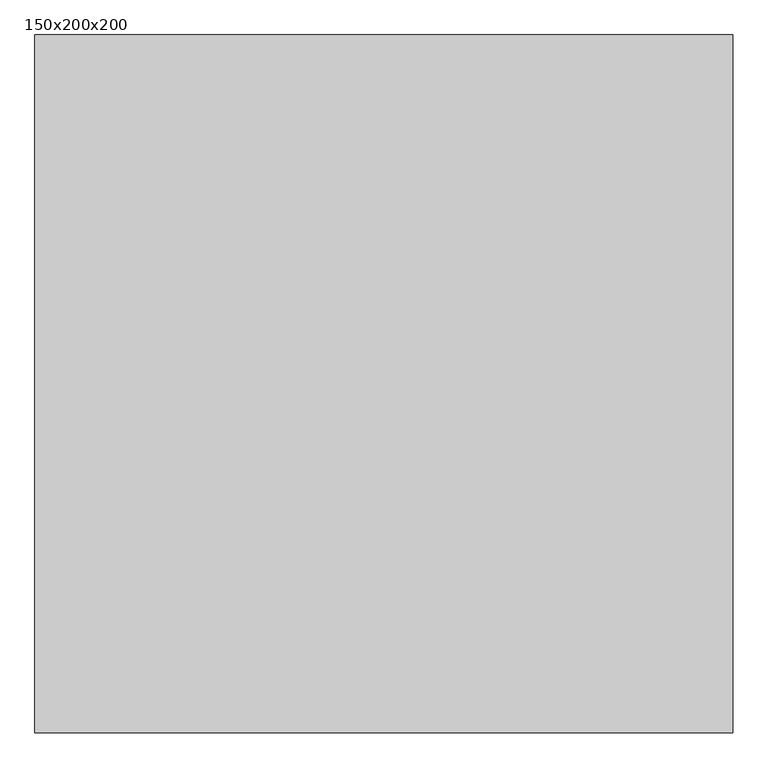
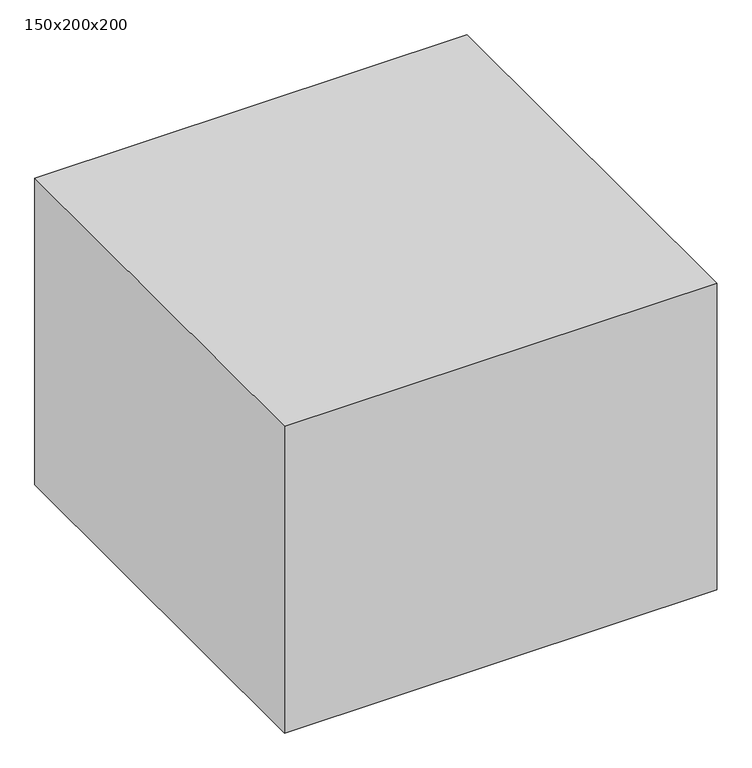
"""IFC4 building model written with IfcOpenShell, lengths in millimetres: proxy geometry, 150x200x200."""

from ifc_helpers import new_model, si_unit, origin, origin_with_axes, place, context, project, spatial, polyline, outline, extrude, source, transform, mapped, element, save


def proxy_150x200x200_11583c70(model_context):
    return source(origin(), model_context, "Body", "SweptSolid", [
        extrude(outline(polyline([(2000.0, 2000.0), (2000.0, 0.0), (0.0, 0.0), (0.0, 2000.0), (2000.0, 2000.0)])), origin_with_axes(), (0.0, 0.0, 1.0), 1500.0),
    ])


if __name__ == "__main__":
    model = new_model("IFC4")
    model_context = context("Model", 3, world=origin())
    ifc_project = project(units=[si_unit("LENGTHUNIT", "METRE", prefix="MILLI")], contexts=[model_context])
    site = spatial("IfcSite", under=ifc_project)
    building = spatial("IfcBuilding", under=site)
    placement = place(None, origin())
    proxy_150x200x200_shape = proxy_150x200x200_11583c70(model_context)
    element("IfcBuildingElementProxy", 1, Name="150x200x200", ObjectType="150x200x200", at=placement, inside=building, context=model_context, shape_type="MappedRepresentation", body=[
        mapped(proxy_150x200x200_shape, transform((0.0, 0.0, 0.0), x_axis=(1.0, 0.0, 0.0), y_axis=(0.0, 1.0, 0.0), z_axis=(0.0, 0.0, 1.0))),
    ])
    save(model, "model.ifc")
